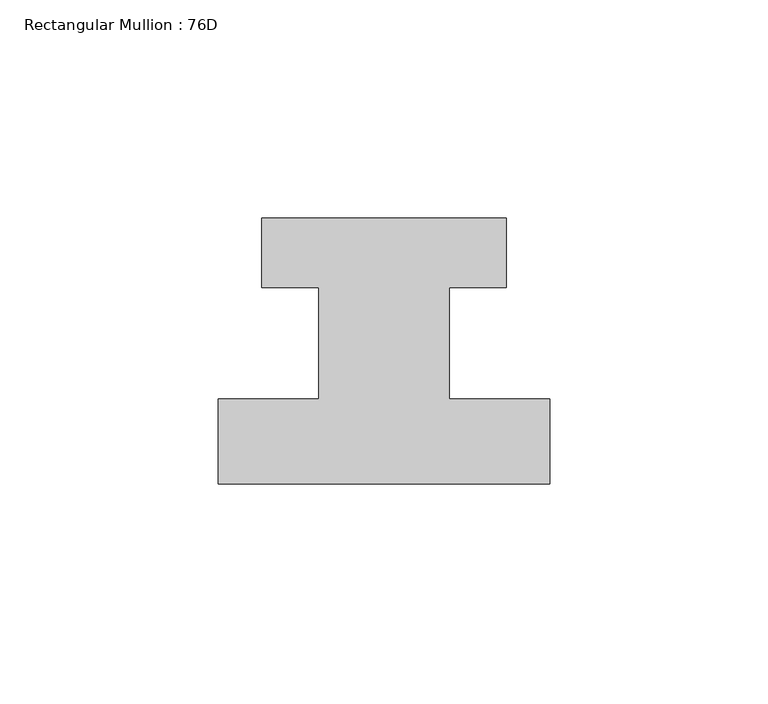
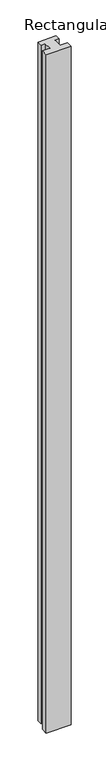
"""IFC4 building model written with IfcOpenShell, lengths in millimetres: member geometry, Rectangular Mullion : 76D."""

from ifc_helpers import new_model, si_unit, frame, origin, place, context, project, spatial, polyline, outline, extrude, source, transform, mapped, element, save


def rectangular_mullion_76d_ff26f113(model_context):
    return source(origin(), model_context, "Body", "SweptSolid", [
        extrude(outline(polyline([(38.0, -20.0), (-38.0, -20.0), (-38.0, -0.5), (-15.0, -0.5), (-15.0, 25.0), (-28.0, 25.0), (-28.0, 41.0), (28.0, 41.0), (28.0, 25.0), (15.0, 25.0), (15.0, -0.5), (38.0, -0.5), (38.0, -20.0)])), frame((0.0, 0.0, -2200.0), z_axis=(0.0, 0.0, 1.0), x_axis=(1.0, 0.0, 0.0)), (0.0, 0.0, 1.0), 2200.0),
    ])


if __name__ == "__main__":
    model = new_model("IFC4")
    model_context = context("Model", 3, world=origin())
    ifc_project = project(units=[si_unit("LENGTHUNIT", "METRE", prefix="MILLI")], contexts=[model_context])
    site = spatial("IfcSite", under=ifc_project)
    building = spatial("IfcBuilding", under=site)
    placement = place(None, origin())
    rectangular_mullion_76d_shape = rectangular_mullion_76d_ff26f113(model_context)
    element("IfcMember", 1, ObjectType="Rectangular Mullion : 76D", at=placement, inside=building, context=model_context, shape_type="MappedRepresentation", body=[
        mapped(rectangular_mullion_76d_shape, transform((0.0, 0.0, 0.0), x_axis=(1.0, 0.0, 0.0), y_axis=(0.0, 1.0, 0.0), z_axis=(0.0, 0.0, 1.0))),
    ])
    save(model, "model.ifc")
